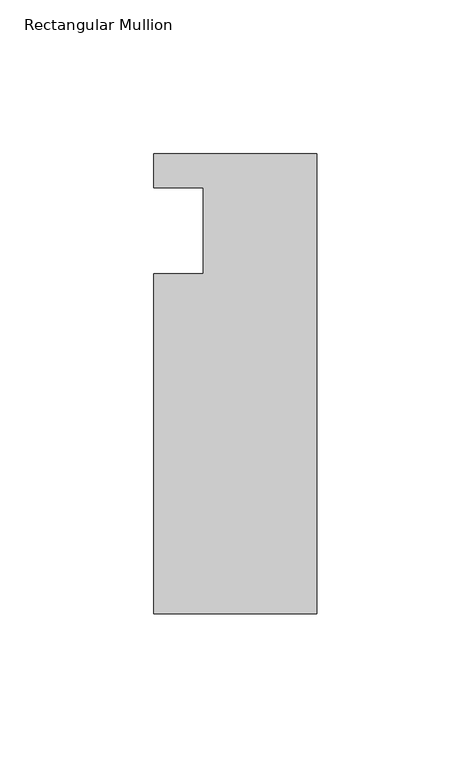
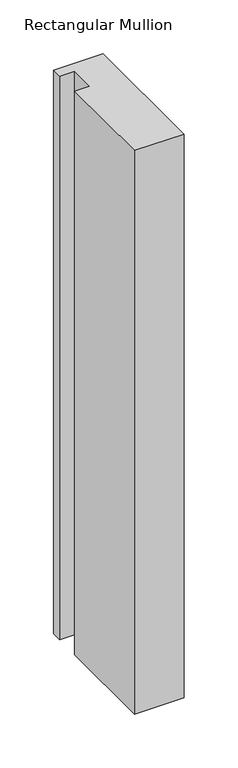
"""IFC4 building model written with IfcOpenShell, lengths in millimetres: member geometry, Rectangular Mullion."""

from ifc_helpers import new_model, si_unit, frame, origin, place, context, project, spatial, polyline, outline, extrude, source, transform, mapped, element, save


def rectangular_mullion_43a011f7(model_context):
    return source(origin(), model_context, "Body", "SweptSolid", [
        extrude(outline(polyline([(-37.0, 13.9999453), (-53.0, 13.9999453), (-53.0, 24.9999453), (0.0, 24.9999453), (0.0, -124.5000547), (-53.0, -124.5000547), (-53.0, -14.0000547), (-37.0, -14.0000547), (-37.0, 13.9999453)])), frame((0.0, 0.0, -637.6322694), z_axis=(0.0, 0.0, 1.0), x_axis=(1.0, 0.0, 0.0)), (0.0, 0.0, 1.0), 637.6322694),
    ])


if __name__ == "__main__":
    model = new_model("IFC4")
    model_context = context("Model", 3, world=origin())
    ifc_project = project(units=[si_unit("LENGTHUNIT", "METRE", prefix="MILLI")], contexts=[model_context])
    site = spatial("IfcSite", under=ifc_project)
    building = spatial("IfcBuilding", under=site)
    placement = place(None, origin())
    rectangular_mullion_shape = rectangular_mullion_43a011f7(model_context)
    element("IfcMember", 1, ObjectType="Rectangular Mullion", at=placement, inside=building, context=model_context, shape_type="MappedRepresentation", body=[
        mapped(rectangular_mullion_shape, transform((0.0, 0.0, 0.0), x_axis=(1.0, 0.0, 0.0), y_axis=(0.0, 1.0, 0.0), z_axis=(0.0, 0.0, 1.0))),
    ])
    save(model, "model.ifc")
